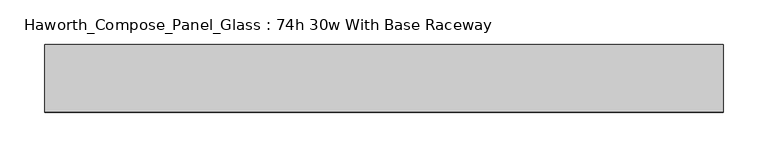
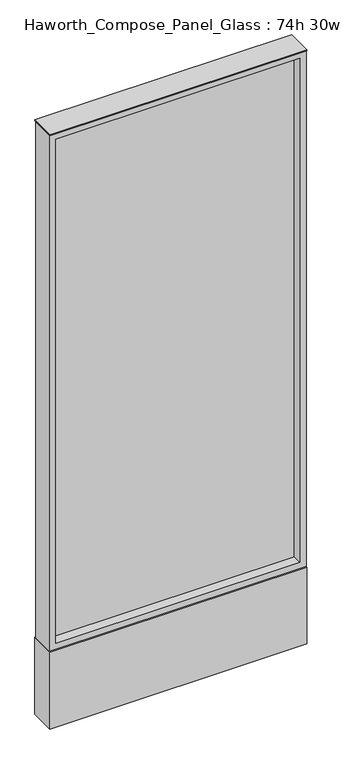
"""IFC4 building model written with IfcOpenShell, lengths in millimetres: furniture geometry, Haworth_Compose_Panel_Glass : 74h 30w With Base Raceway."""

from ifc_helpers import new_model, si_unit, point, frame, frame_2d, origin, origin_with_axes, place, context, project, spatial, polyline, circle_curve, trimmed, segment, composite_curve, outline, extrude, source, transform, mapped, element, save


def haworth_compose_panel_glass_74h_30w_with_base_raceway_dba8b215(model_context):
    return source(origin(), model_context, "Body", "SweptSolid", [
        extrude(outline(composite_curve([segment(trimmed(circle_curve(frame_2d((307.2402902, 0.0)), 12.7), [point((294.5402902, 0.0))], [point((319.9402902, 0.0))], False, "CARTESIAN"), True, "CONTINUOUS"), segment(trimmed(circle_curve(frame_2d((307.2402902, 0.0)), 12.7), [point((319.9402902, 0.0))], [point((294.5402902, 0.0))], False, "CARTESIAN"), True, "CONTINUOUS")], self_intersect=False)), origin_with_axes(), (0.0, 0.0, 1.0), 12.7),
        extrude(outline(composite_curve([segment(trimmed(circle_curve(frame_2d((-302.3597098, 0.0)), 12.7), [point((-315.0597098, 0.0))], [point((-289.6597098, 0.0))], False, "CARTESIAN"), True, "CONTINUOUS"), segment(trimmed(circle_curve(frame_2d((-302.3597098, 0.0)), 12.7), [point((-289.6597098, 0.0))], [point((-315.0597098, 0.0))], False, "CARTESIAN"), True, "CONTINUOUS")], self_intersect=False)), origin_with_axes(), (0.0, 0.0, 1.0), 12.7),
        extrude(outline(polyline([(364.3902902, -6.35), (-359.5097098, -6.35), (-359.5097098, 6.35), (364.3902902, 6.35), (364.3902902, -6.35)])), frame((0.0, 0.0, 273.05), z_axis=(0.0, 0.0, 1.0), x_axis=(1.0, 0.0, 0.0)), (0.0, 0.0, 1.0), 1581.15),
        extrude(outline(polyline([(1873.25, -378.5597098), (254.0, -378.5597098), (254.0, 383.4402902), (1873.25, 383.4402902), (1873.25, -378.5597098)]), holes=[polyline([(1854.2, 364.3902902), (273.05, 364.3902902), (273.05, -359.5097098), (1854.2, -359.5097098), (1854.2, 364.3902902)])]), frame((0.0, -34.925, 0.0), z_axis=(0.0, 1.0, 0.0), x_axis=(0.0, 0.0, 1.0)), (0.0, 0.0, 1.0), 69.85),
        extrude(outline(polyline([(-378.5597098, 38.1), (383.4402902, 38.1), (383.4402902, -38.1), (-378.5597098, -38.1), (-378.5597098, 38.1)])), frame((0.0, 0.0, 12.7), z_axis=(0.0, 0.0, 1.0), x_axis=(1.0, 0.0, 0.0)), (0.0, 0.0, 1.0), 241.3),
        extrude(outline(polyline([(-378.5597098, -38.1), (-378.5597098, 38.1), (383.4402902, 38.1), (383.4402902, -38.1), (-378.5597098, -38.1)])), frame((0.0, 0.0, 1873.25), z_axis=(0.0, 0.0, 1.0), x_axis=(1.0, 0.0, 0.0)), (0.0, 0.0, 1.0), 3.175),
    ])


if __name__ == "__main__":
    model = new_model("IFC4")
    model_context = context("Model", 3, world=origin())
    ifc_project = project(units=[si_unit("LENGTHUNIT", "METRE", prefix="MILLI")], contexts=[model_context])
    site = spatial("IfcSite", under=ifc_project)
    building = spatial("IfcBuilding", under=site)
    placement = place(None, origin())
    haworth_compose_panel_glass_74h_30w_with_base_raceway_shape = haworth_compose_panel_glass_74h_30w_with_base_raceway_dba8b215(model_context)
    element("IfcFurniture", 1, ObjectType="Haworth_Compose_Panel_Glass : 74h 30w With Base Raceway", at=placement, inside=building, context=model_context, shape_type="MappedRepresentation", body=[
        mapped(haworth_compose_panel_glass_74h_30w_with_base_raceway_shape, transform((0.0, 0.0, 0.0), x_axis=(1.0, 0.0, 0.0), y_axis=(0.0, 1.0, 0.0), z_axis=(0.0, 0.0, 1.0))),
    ])
    save(model, "model.ifc")
